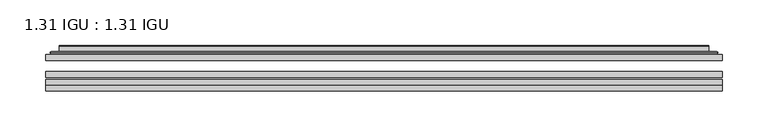
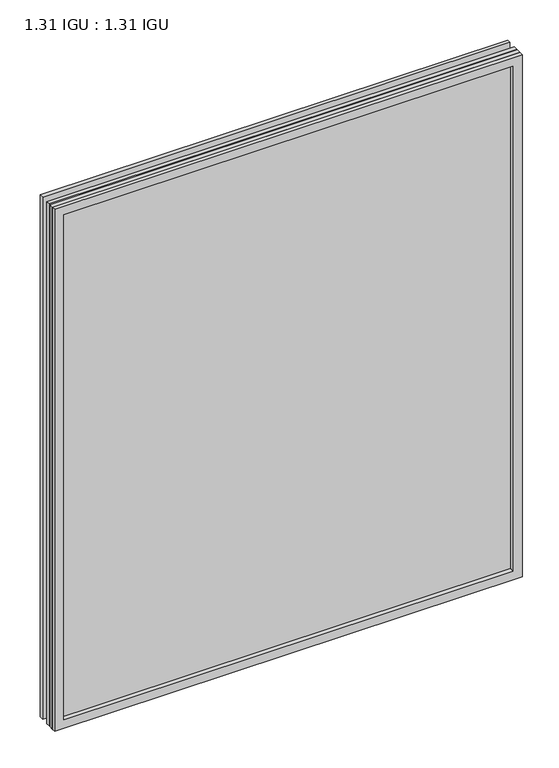
"""IFC4 building model written with IfcOpenShell, lengths in millimetres: plate geometry, 1.31 IGU : 1.31 IGU."""

from ifc_helpers import new_model, si_unit, frame, origin, place, context, project, spatial, polyline, ellipse_curve, outline, extrude, faceted_brep, source, transform, mapped, element, save
from ifc_brep_helpers import plane_surface, cylinder_surface, advanced_brep


def plate_1_31_igu_1_31_igu_4702bcaf(model_context):
    return source(origin(), model_context, "Body", "SolidModel", [
        extrude(outline(polyline([(368.3609066, -63.59525), (368.3609066, -69.94525), (-368.3467316, -69.94525), (-368.3467316, -63.59525), (368.3609066, -63.59525)])), frame((0.0, 0.0, -14.2875), z_axis=(0.0, 0.0, 1.0), x_axis=(1.0, 0.0, 0.0)), (0.0, 0.0, 1.0), 869.9537979),
        extrude(outline(polyline([(-368.3467316, -78.58125), (-368.3467316, -72.230745), (368.3609066, -72.230745), (368.3609066, -78.58125), (-368.3467316, -78.58125)])), frame((0.0, 0.0, -14.2875), z_axis=(0.0, 0.0, 1.0), x_axis=(1.0, 0.0, 0.0)), (0.0, 0.0, 1.0), 869.9537979),
        extrude(outline(polyline([(368.3609066, -45.25645), (368.3609066, -51.60645), (-368.3467316, -51.60645), (-368.3467316, -45.25645), (368.3609066, -45.25645)])), frame((0.0, 0.0, -14.2875), z_axis=(0.0, 0.0, 1.0), x_axis=(1.0, 0.0, 0.0)), (0.0, 0.0, 1.0), 869.9537979),
        faceted_brep([(-368.3594316, -84.93125, 855.6752), (-368.3594316, -78.58125, 855.6752), (-368.3594316, -78.58125, -14.3002), (-368.3594316, -84.93125, -14.3002), (368.3594316, -78.58125, -14.3002), (368.3594316, -84.93125, -14.3002), (368.3594316, -78.58125, 855.6752), (368.3594316, -84.93125, 855.6752), (-353.1614875, -78.58125, 0.8977441), (353.1614875, -78.58125, 0.8977441), (353.1614875, -78.58125, 840.4772559), (-353.1614875, -78.58125, 840.4772559), (-354.0539218, -84.93125, 841.3696902), (354.0539218, -84.93125, 841.3696902), (354.0539218, -84.93125, 0.0053098), (-354.0539218, -84.93125, 0.0053098)], [[[0, 1, 2, 3]], [[3, 2, 4, 5]], [[5, 4, 6, 7]], [[1, 6, 4, 2], [8, 9, 10, 11]], [[7, 6, 1, 0]], [[3, 5, 7, 0], [12, 13, 14, 15]], [[11, 12, 15, 8]], [[8, 15, 14, 9]], [[9, 14, 13, 10]], [[10, 13, 12, 11]]]),
        advanced_brep(
        [(-361.1054507, -45.25645, 848.4212191), (-363.459656, -43.2667833, 850.7754244), (-363.459656, -43.2667833, -9.4004244), (-361.1054507, -45.25645, -7.046219), (-352.0311255, -41.416413, 839.3468939), (-347.0962937, -45.25645, 834.4120621), (-347.0962937, -45.25645, 6.9629379), (-352.0311255, -41.416413, 2.0281061), (-353.0631533, -36.0191819, 840.3789217), (-353.0631533, -36.0191819, 0.9960783), (-354.0538101, -35.6202069, 841.3695784), (-354.0538101, -35.6202069, 0.0054216), (-354.0538101, -42.08145, 841.3695784), (-354.0538101, -42.08145, 0.0054216), (-362.4578665, -42.08145, 849.7736349), (-362.4578665, -42.08145, -8.3986349), (363.459656, -43.2667833, -9.4004244), (361.1054507, -45.25645, -7.046219), (347.0962937, -45.25645, 6.9629379), (352.0311255, -41.416413, 2.0281061), (353.0631533, -36.0191819, 0.9960783), (354.0538101, -35.6202069, 0.0054216), (354.0538101, -42.08145, 0.0054216), (362.4578665, -42.08145, -8.3986349), (363.459656, -43.2667833, 850.7754244), (361.1054507, -45.25645, 848.4212191), (347.0962937, -45.25645, 834.4120621), (352.0311255, -41.416413, 839.3468939), (353.0631533, -36.0191819, 840.3789217), (354.0538101, -35.6202069, 841.3695784), (354.0538101, -42.08145, 841.3695784), (362.4578665, -42.08145, 849.7736349)],
        [
            (0, 1, ellipse_curve(frame((-361.1054507, -42.86885, 848.4212191), z_axis=(-0.7071067811865475, 0.0, -0.7071067811865475), x_axis=(-0.7071067811865474, 0.0, 0.7071067811865476)), 3.3765763, 2.3876)),
            (1, 2),
            (2, 3, ellipse_curve(frame((-361.1054507, -42.86885, -7.046219), z_axis=(-0.7071067811865475, 0.0, 0.7071067811865475), x_axis=(0.7071067811865474, 0.0, 0.7071067811865476)), 3.3765763, 2.3876)),
            (3, 0),
            (4, 5),
            (5, 6),
            (6, 7),
            (7, 4),
            (8, 4),
            (7, 9),
            (9, 8),
            (10, 8, ellipse_curve(frame((-353.6868535, -36.1384423, 841.0026219), z_axis=(-0.7071067811865475, 0.0, -0.7071067811865475), x_axis=(-0.7071067811865474, 0.0, 0.7071067811865476)), 0.8980256, 0.635)),
            (9, 11, ellipse_curve(frame((-353.6868535, -36.1384423, 0.3723781), z_axis=(-0.7071067811865475, 0.0, 0.7071067811865475), x_axis=(0.7071067811865474, 0.0, 0.7071067811865476)), 0.8980256, 0.635)),
            (11, 10),
            (12, 10),
            (11, 13),
            (13, 12),
            (1, 14, ellipse_curve(frame((-362.4578665, -43.09745, 849.7736349), z_axis=(-0.7071067811865475, 0.0, -0.7071067811865475), x_axis=(-0.7071067811865474, 0.0, 0.7071067811865476)), 1.436841, 1.016)),
            (14, 15),
            (15, 2, ellipse_curve(frame((-362.4578665, -43.09745, -8.3986349), z_axis=(-0.7071067811865475, 0.0, 0.7071067811865475), x_axis=(0.7071067811865474, 0.0, 0.7071067811865476)), 1.436841, 1.016)),
            (2, 16),
            (16, 17, ellipse_curve(frame((361.1054507, -42.86885, -7.046219), z_axis=(-0.7071067811865475, 0.0, -0.7071067811865475), x_axis=(-0.7071067811865476, 0.0, 0.7071067811865474)), 3.3765763, 2.3876)),
            (17, 3),
            (6, 18),
            (18, 19),
            (19, 7),
            (19, 20),
            (20, 9),
            (20, 21, ellipse_curve(frame((353.6868535, -36.1384423, 0.3723781), z_axis=(-0.7071067811865475, 0.0, -0.7071067811865475), x_axis=(-0.7071067811865476, 0.0, 0.7071067811865474)), 0.8980256, 0.635)),
            (21, 11),
            (21, 22),
            (22, 13),
            (15, 23),
            (23, 16, ellipse_curve(frame((362.4578665, -43.09745, -8.3986349), z_axis=(-0.7071067811865475, 0.0, -0.7071067811865475), x_axis=(-0.7071067811865476, 0.0, 0.7071067811865474)), 1.436841, 1.016)),
            (16, 24),
            (24, 25, ellipse_curve(frame((361.1054507, -42.86885, 848.4212191), z_axis=(0.7071067811865475, 0.0, -0.7071067811865475), x_axis=(-0.7071067811865474, 0.0, -0.7071067811865476)), 3.3765763, 2.3876)),
            (25, 17),
            (18, 26),
            (26, 27),
            (27, 19),
            (27, 28),
            (28, 20),
            (28, 29, ellipse_curve(frame((353.6868535, -36.1384423, 841.0026219), z_axis=(0.7071067811865475, 0.0, -0.7071067811865475), x_axis=(-0.7071067811865474, 0.0, -0.7071067811865476)), 0.8980256, 0.635)),
            (29, 21),
            (29, 30),
            (30, 22),
            (23, 31),
            (31, 24, ellipse_curve(frame((362.4578665, -43.09745, 849.7736349), z_axis=(0.7071067811865475, 0.0, -0.7071067811865475), x_axis=(-0.7071067811865474, 0.0, -0.7071067811865476)), 1.436841, 1.016)),
            (24, 1),
            (0, 25),
            (5, 26),
            (4, 27),
            (8, 28),
            (10, 29),
            (12, 30),
            (14, 31),
        ],
        [
            cylinder_surface(frame((-361.1054507, -42.86885, 873.125), z_axis=(0.0, 0.0, 1.0), x_axis=(-1.0, 0.0, 0.0)), 2.3876),
            plane_surface(frame((-347.0962937, -45.25645, 834.4120621), z_axis=(0.6141233906514794, 0.7892100234124821, 0.0), x_axis=(0.0, 0.0, -1.0))),
            plane_surface(frame((-352.0311255, -41.416413, 839.3468939), z_axis=(0.9822050625507729, 0.18781164793386074, 0.0), x_axis=(0.0, 0.0, -1.0))),
            cylinder_surface(frame((-353.6868535, -36.1384423, 873.125), z_axis=(0.0, 0.0, 1.0), x_axis=(-1.0, 0.0, 0.0)), 0.635),
            plane_surface(frame((-354.0538101, -35.6202069, 841.3695784), z_axis=(-1.0, 0.0, 0.0), x_axis=(0.0, 0.0, -1.0))),
            cylinder_surface(frame((-362.4578665, -43.09745, 873.125), z_axis=(0.0, 0.0, 1.0), x_axis=(-1.0, 0.0, 0.0)), 1.016),
            cylinder_surface(frame((-385.8092316, -42.86885, -7.046219), z_axis=(-1.0, 0.0, 0.0), x_axis=(0.0, 0.0, -1.0)), 2.3876),
            plane_surface(frame((-347.0962937, -45.25645, 6.9629379), z_axis=(0.0, 0.7892100234124841, 0.6141233906514768), x_axis=(1.0, 0.0, 0.0))),
            plane_surface(frame((-352.0311255, -41.416413, 2.0281061), z_axis=(0.0, 0.18781164793386393, 0.9822050625507723), x_axis=(1.0, 0.0, 0.0))),
            cylinder_surface(frame((-385.8092316, -36.1384423, 0.3723781), z_axis=(-1.0, 0.0, 0.0), x_axis=(0.0, 0.0, -1.0)), 0.635),
            plane_surface(frame((-354.0538101, -35.6202069, 0.0054216), z_axis=(0.0, 0.0, -1.0), x_axis=(1.0, 0.0, 0.0))),
            cylinder_surface(frame((-385.8092316, -43.09745, -8.3986349), z_axis=(-1.0, 0.0, 0.0), x_axis=(0.0, 0.0, -1.0)), 1.016),
            cylinder_surface(frame((361.1054507, -42.86885, -31.75), z_axis=(0.0, 0.0, -1.0), x_axis=(1.0, 0.0, 0.0)), 2.3876),
            plane_surface(frame((347.0962937, -45.25645, 6.9629379), z_axis=(-0.6141233906514743, 0.7892100234124861, 0.0), x_axis=(0.0, 0.0, 1.0))),
            plane_surface(frame((352.0311255, -41.416413, 2.0281061), z_axis=(-0.9822050625507718, 0.18781164793386712, 0.0), x_axis=(0.0, 0.0, 1.0))),
            cylinder_surface(frame((353.6868535, -36.1384423, -31.75), z_axis=(0.0, 0.0, -1.0), x_axis=(1.0, 0.0, 0.0)), 0.635),
            plane_surface(frame((354.0538101, -35.6202069, 0.0054216), z_axis=(1.0, 0.0, 0.0), x_axis=(0.0, 0.0, 1.0))),
            cylinder_surface(frame((362.4578665, -43.09745, -31.75), z_axis=(0.0, 0.0, -1.0), x_axis=(1.0, 0.0, 0.0)), 1.016),
            cylinder_surface(frame((385.8092316, -42.86885, 848.4212191), z_axis=(1.0, 0.0, 0.0), x_axis=(0.0, 0.0, 1.0)), 2.3876),
            plane_surface(frame((361.1054507, -45.25645, 848.4212191), z_axis=(0.0, -1.0, 0.0), x_axis=(-1.0, 0.0, 0.0))),
            plane_surface(frame((347.0962937, -45.25645, 834.4120621), z_axis=(0.0, 0.7892100234124841, -0.6141233906514768), x_axis=(-1.0, 0.0, 0.0))),
            plane_surface(frame((352.0311255, -41.416413, 839.3468939), z_axis=(0.0, 0.18781164793386393, -0.9822050625507723), x_axis=(-1.0, 0.0, 0.0))),
            cylinder_surface(frame((385.8092316, -36.1384423, 841.0026219), z_axis=(1.0, 0.0, 0.0), x_axis=(0.0, 0.0, 1.0)), 0.635),
            plane_surface(frame((354.0538101, -35.6202069, 841.3695784), z_axis=(0.0, 0.0, 1.0), x_axis=(-1.0, 0.0, 0.0))),
            plane_surface(frame((354.0538101, -42.08145, 841.3695784), z_axis=(0.0, 1.0, 0.0), x_axis=(-1.0, 0.0, 0.0))),
            cylinder_surface(frame((385.8092316, -43.09745, 849.7736349), z_axis=(1.0, 0.0, 0.0), x_axis=(0.0, 0.0, 1.0)), 1.016),
        ],
        [
            (0, [[1, 2, 3, 4]]),
            (1, [[5, 6, 7, 8]]),
            (2, [[9, -8, 10, 11]]),
            (3, [[12, -11, 13, 14]]),
            (4, [[15, -14, 16, 17]]),
            (5, [[18, 19, 20, -2]]),
            (6, [[-3, 21, 22, 23]]),
            (7, [[-7, 24, 25, 26]]),
            (8, [[-10, -26, 27, 28]]),
            (9, [[-13, -28, 29, 30]]),
            (10, [[-16, -30, 31, 32]]),
            (11, [[-20, 33, 34, -21]]),
            (12, [[-22, 35, 36, 37]]),
            (13, [[-25, 38, 39, 40]]),
            (14, [[-27, -40, 41, 42]]),
            (15, [[-29, -42, 43, 44]]),
            (16, [[-31, -44, 45, 46]]),
            (17, [[-34, 47, 48, -35]]),
            (18, [[-36, 49, -1, 50]]),
            (19, [[-23, -37, -50, -4], [51, -38, -24, -6]]),
            (20, [[-39, -51, -5, 52]]),
            (21, [[-41, -52, -9, 53]]),
            (22, [[-43, -53, -12, 54]]),
            (23, [[-45, -54, -15, 55]]),
            (24, [[56, -47, -33, -19], [-32, -46, -55, -17]]),
            (25, [[-48, -56, -18, -49]]),
        ],
    ),
    ])


if __name__ == "__main__":
    model = new_model("IFC4")
    model_context = context("Model", 3, world=origin())
    ifc_project = project(units=[si_unit("LENGTHUNIT", "METRE", prefix="MILLI")], contexts=[model_context])
    site = spatial("IfcSite", under=ifc_project)
    building = spatial("IfcBuilding", under=site)
    placement = place(None, origin())
    plate_1_31_igu_1_31_igu_shape = plate_1_31_igu_1_31_igu_4702bcaf(model_context)
    element("IfcPlate", 1, ObjectType="1.31 IGU : 1.31 IGU", at=placement, inside=building, context=model_context, shape_type="MappedRepresentation", body=[
        mapped(plate_1_31_igu_1_31_igu_shape, transform((0.0, 0.0, 0.0), x_axis=(1.0, 0.0, 0.0), y_axis=(0.0, 1.0, 0.0), z_axis=(0.0, 0.0, 1.0))),
    ])
    save(model, "model.ifc")
